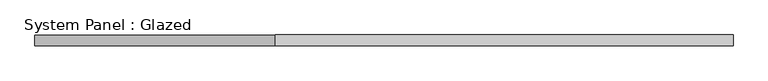
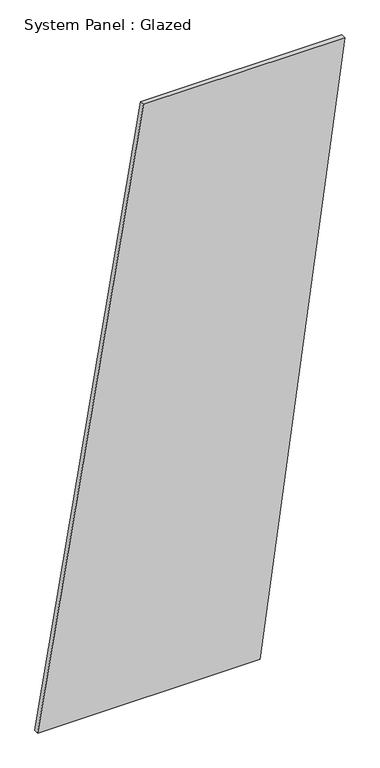
"""IFC4 building model written with IfcOpenShell, lengths in millimetres: plate geometry, System Panel : Glazed."""

from ifc_helpers import new_model, si_unit, frame, origin, place, context, project, spatial, polyline, outline, extrude, source, transform, mapped, element, save


def system_panel_glazed_3094f6e7(model_context):
    return source(origin(), model_context, "Body", "SweptSolid", [
        extrude(outline(polyline([(0.0, -817.4163431), (0.0, 366.8268272), (3336.1930123, 817.4163431), (3336.1930123, -254.1794483), (0.0, -817.4163431)])), frame((0.0, -49.5, 0.0), z_axis=(0.0, 1.0, 0.0), x_axis=(0.0, 0.0, 1.0)), (0.0, 0.0, 1.0), 25.0),
    ])


if __name__ == "__main__":
    model = new_model("IFC4")
    model_context = context("Model", 3, world=origin())
    ifc_project = project(units=[si_unit("LENGTHUNIT", "METRE", prefix="MILLI")], contexts=[model_context])
    site = spatial("IfcSite", under=ifc_project)
    building = spatial("IfcBuilding", under=site)
    placement = place(None, origin())
    system_panel_glazed_shape = system_panel_glazed_3094f6e7(model_context)
    element("IfcPlate", 1, ObjectType="System Panel : Glazed", at=placement, inside=building, context=model_context, shape_type="MappedRepresentation", body=[
        mapped(system_panel_glazed_shape, transform((0.0, 0.0, 0.0), x_axis=(1.0, 0.0, 0.0), y_axis=(0.0, 1.0, 0.0), z_axis=(0.0, 0.0, 1.0))),
    ])
    save(model, "model.ifc")
